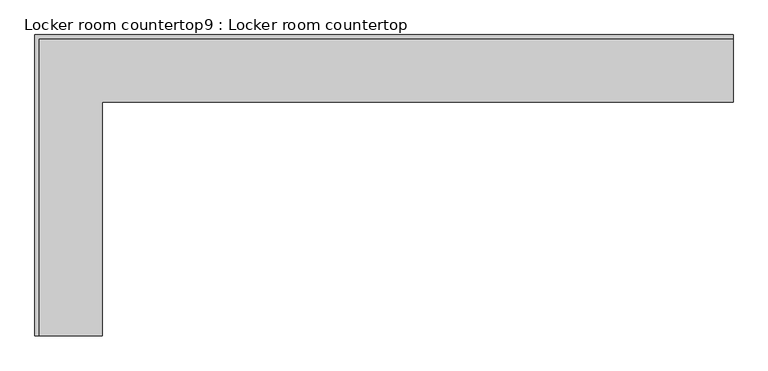
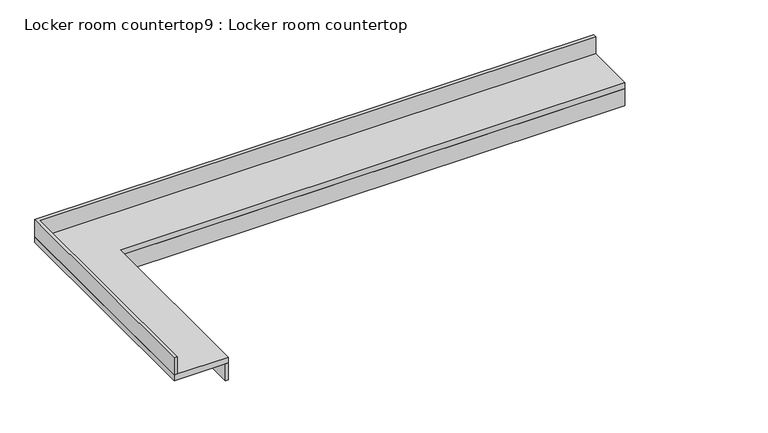
"""IFC4 building model written with IfcOpenShell, lengths in millimetres: furniture geometry, Locker room countertop9 : Locker room countertop."""

from ifc_helpers import new_model, si_unit, frame, origin, place, context, project, spatial, polyline, outline, extrude, source, transform, mapped, element, save


def locker_room_countertop9_locker_room_countertop_ecb481f2(model_context):
    return source(origin(), model_context, "Body", "SweptSolid", [
        extrude(outline(polyline([(454082.2522093, -328024.3455223), (454082.2522093, -329607.0830223), (454056.8522093, -329607.0830223), (454056.8522093, -327998.9455223), (458349.4522093, -327998.9455223), (458349.4522093, -328024.3455223), (454082.2522093, -328024.3455223)])), frame((0.0, 0.0, 660.4), z_axis=(0.0, 0.0, 1.0), x_axis=(1.0, 0.0, 0.0)), (0.0, 0.0, 1.0), 152.4),
        extrude(outline(polyline([(458349.4522093, -327592.5455223), (453650.4522093, -327592.5455223), (453650.4522093, -329607.0830223), (453625.0522093, -329607.0830223), (453625.0522093, -327567.1455223), (458349.4522093, -327567.1455223), (458349.4522093, -327592.5455223)])), frame((0.0, 0.0, 863.6), z_axis=(0.0, 0.0, 1.0), x_axis=(1.0, 0.0, 0.0)), (0.0, 0.0, 1.0), 152.4),
        extrude(outline(polyline([(458349.4522093, -328024.3455223), (454082.2522093, -328024.3455223), (454082.2522093, -329607.0830223), (453625.0522093, -329607.0830223), (453625.0522093, -327567.1455223), (458349.4522093, -327567.1455223), (458349.4522093, -328024.3455223)])), frame((0.0, 0.0, 812.8), z_axis=(0.0, 0.0, 1.0), x_axis=(1.0, 0.0, 0.0)), (0.0, 0.0, 1.0), 50.8),
    ])


if __name__ == "__main__":
    model = new_model("IFC4")
    model_context = context("Model", 3, world=origin())
    ifc_project = project(units=[si_unit("LENGTHUNIT", "METRE", prefix="MILLI")], contexts=[model_context])
    site = spatial("IfcSite", under=ifc_project)
    building = spatial("IfcBuilding", under=site)
    placement = place(None, origin())
    locker_room_countertop9_locker_room_countertop_shape = locker_room_countertop9_locker_room_countertop_ecb481f2(model_context)
    element("IfcFurniture", 1, ObjectType="Locker room countertop9 : Locker room countertop", at=placement, inside=building, context=model_context, shape_type="MappedRepresentation", body=[
        mapped(locker_room_countertop9_locker_room_countertop_shape, transform((0.0, 0.0, 0.0), x_axis=(1.0, 0.0, 0.0), y_axis=(0.0, 1.0, 0.0), z_axis=(0.0, 0.0, 1.0))),
    ])
    save(model, "model.ifc")
